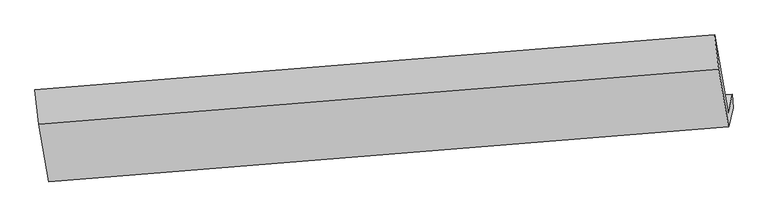
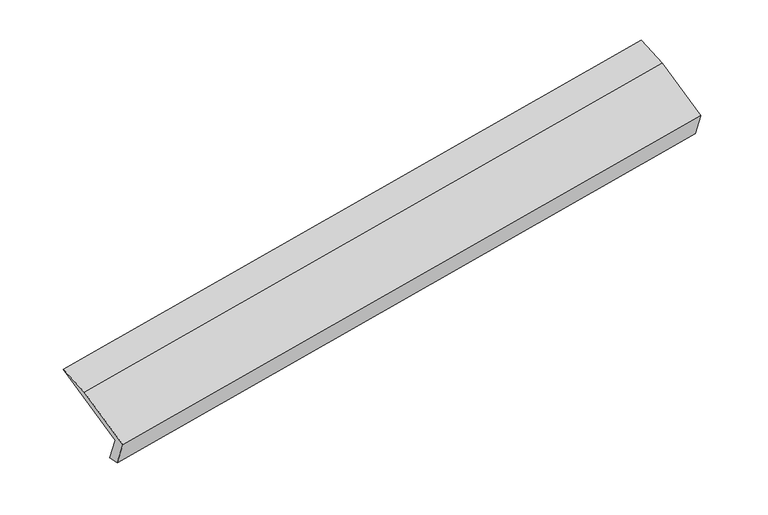
"""IFC4 building model written with IfcOpenShell, lengths in millimetres: proxy geometry."""

import ifcopenshell
import ifcopenshell.guid

model = None  # the IFC model being written
_history = None  # IfcOwnerHistory: only IFC2X3 demands one
_inside = {}  # id of a spatial element -> (the spatial element, [elements in it])
_under = {}  # id of a project, library or spatial element -> (it, [spatial elements below it])
_declared = {}  # id of a project -> (the project, [libraries it declares])
_typed = {}  # id of a type object -> (the type object, [elements of that type])
_made_of = {}  # id of a material, layer set ... -> (it, [elements and type objects made of it])


def new_model(schema):
    """Start an empty IFC model of exactly this schema.

    Asked for "IFC4X3", IfcOpenShell would pick the latest addendum, in which some entities
    have other attributes; the version numbers below select the first issue.
    IFC2X3 requires an IfcOwnerHistory on every rooted entity: one is made here for all.
    """
    global model, _history
    if schema == "IFC4X3":
        model = ifcopenshell.file(schema_version=(4, 3, 0, 0))
    else:
        model = ifcopenshell.file(schema=schema)
    _inside.clear()
    _under.clear()
    _declared.clear()
    _typed.clear()
    _made_of.clear()
    _history = None
    if model.schema == "IFC2X3":
        org = make("IfcOrganization", Name="unknown")
        user = make(
            "IfcPersonAndOrganization",
            ThePerson=make("IfcPerson", FamilyName="unknown"),
            TheOrganization=org,
        )
        app = make(
            "IfcApplication",
            ApplicationDeveloper=org,
            Version="unknown",
            ApplicationFullName="unknown",
            ApplicationIdentifier="unknown",
        )
        _history = make(
            "IfcOwnerHistory",
            OwningUser=user,
            OwningApplication=app,
            ChangeAction="ADDED",
            CreationDate=0,
        )
    return model


def make(cls, **values):
    """One entity of the class cls with the attributes given. An attribute that is None is left unset."""
    return model.create_entity(
        cls, **{name: value for name, value in values.items() if value is not None}
    )


def rooted(cls, **values):
    """An entity with a GlobalId (a new one), such as an element, a storey or a relation."""
    return make(cls, GlobalId=ifcopenshell.guid.new(), OwnerHistory=_history, **values)


def si_unit(unit_type, name, prefix=None):
    """IfcSIUnit, for example si_unit("LENGTHUNIT", "METRE", prefix="MILLI")."""
    return make("IfcSIUnit", UnitType=unit_type, Prefix=prefix, Name=name)


def assignment(units):
    """IfcUnitAssignment: the units of a project."""
    return None if units is None else make("IfcUnitAssignment", Units=units)


def point(xyz):
    """IfcCartesianPoint."""
    return None if xyz is None else make("IfcCartesianPoint", Coordinates=xyz)


def direction(xyz):
    """IfcDirection."""
    return None if xyz is None else make("IfcDirection", DirectionRatios=xyz)


def frame(location, z_axis=None, x_axis=None):
    """IfcAxis2Placement3D, a coordinate frame: its origin and axes. An axis left out is left unset."""
    return make(
        "IfcAxis2Placement3D",
        Location=point(location),
        Axis=direction(z_axis),
        RefDirection=direction(x_axis),
    )


def origin():
    """The frame at (0, 0, 0) with its axes left unset."""
    return frame((0.0, 0.0, 0.0))


def place(relative_to, where):
    """IfcLocalPlacement: puts the frame where relative to a parent placement (None: the world)."""
    return make(
        "IfcLocalPlacement", PlacementRelTo=relative_to, RelativePlacement=where
    )


def context(
    kind, dimensions, precision=None, world=None, true_north=None, identifier=None
):
    """IfcGeometricRepresentationContext, for example the 3D "Model" context."""
    return make(
        "IfcGeometricRepresentationContext",
        ContextIdentifier=identifier,
        ContextType=kind,
        CoordinateSpaceDimension=dimensions,
        Precision=precision,
        WorldCoordinateSystem=world,
        TrueNorth=true_north,
    )


def project(units=None, contexts=None):
    """IfcProject with its units and contexts."""
    return rooted(
        "IfcProject",
        Name="project",
        RepresentationContexts=contexts,
        UnitsInContext=assignment(units),
    )


def spatial(cls, under=None, at=None, **own):
    """A site, building, storey or space (cls), placed at a placement, below another one or the project."""
    s = rooted(cls, ObjectPlacement=at, **own)
    if under is not None:
        _under.setdefault(under.id(), (under, []))[1].append(s)
    return s


def faces_of(points, faces, orient=None, outer=None):
    """IfcFace entities. A face is a list of loops; a loop is a list of indices into points, from 0.

    orient and outer hold one flag for each loop. By default every Orientation is true, the
    first loop of a face is its IfcFaceOuterBound and the others are IfcFaceBound.
    """
    made = []
    for i, loops in enumerate(faces):
        bounds = []
        for j, loop in enumerate(loops):
            is_outer = j == 0 if outer is None else outer[i][j]
            bounds.append(
                make(
                    "IfcFaceOuterBound" if is_outer else "IfcFaceBound",
                    Bound=make("IfcPolyLoop", Polygon=[points[k] for k in loop]),
                    Orientation=True if orient is None else orient[i][j],
                )
            )
        made.append(make("IfcFace", Bounds=bounds))
    return made


def faceted_brep(points, faces, orient=None, outer=None, voids=None):
    """IfcFacetedBrep: a solid bounded by flat faces; with voids (closed shells), ...WithVoids."""
    shared = [point(p) for p in points]
    hull = make("IfcClosedShell", CfsFaces=faces_of(shared, faces, orient, outer))
    if voids is None:
        return make("IfcFacetedBrep", Outer=hull)
    return make(
        "IfcFacetedBrepWithVoids",
        Outer=hull,
        Voids=[
            make(cls, CfsFaces=faces_of(shared, fs, o, b)) for cls, fs, o, b in voids
        ],
    )


def shape(context_of_items, identifier, shape_type, items):
    """IfcShapeRepresentation: the items that make up one representation, for example the "Body"."""
    return make(
        "IfcShapeRepresentation",
        ContextOfItems=context_of_items,
        RepresentationIdentifier=identifier,
        RepresentationType=shape_type,
        Items=items,
    )


def source(mapping_origin, context_of_items, identifier, shape_type, items):
    """IfcRepresentationMap: a shape defined once, which mapped items show again and again."""
    return make(
        "IfcRepresentationMap",
        MappingOrigin=mapping_origin,
        MappedRepresentation=shape(context_of_items, identifier, shape_type, items),
    )


def transform(
    local_origin,
    x_axis=None,
    y_axis=None,
    z_axis=None,
    scale=None,
    scale2=None,
    scale3=None,
    uniform=True,
):
    """IfcCartesianTransformationOperator3D, or its non-uniform kind. x_axis, y_axis, z_axis: its Axis1, 2, 3."""
    if uniform:
        return make(
            "IfcCartesianTransformationOperator3D",
            Axis1=direction(x_axis),
            Axis2=direction(y_axis),
            LocalOrigin=point(local_origin),
            Scale=scale,
            Axis3=direction(z_axis),
        )
    return make(
        "IfcCartesianTransformationOperator3DnonUniform",
        Axis1=direction(x_axis),
        Axis2=direction(y_axis),
        LocalOrigin=point(local_origin),
        Scale=scale,
        Axis3=direction(z_axis),
        Scale2=scale2,
        Scale3=scale3,
    )


def mapped(mapping_source, mapping_target):
    """IfcMappedItem: shows the shape of a source again, moved by a transform."""
    return make(
        "IfcMappedItem", MappingSource=mapping_source, MappingTarget=mapping_target
    )


def made_of(thing, what):
    """Note that an element or type object is made of a material, layer set ...; save() writes the relation."""
    if what is not None:
        _made_of.setdefault(what.id(), (what, []))[1].append(thing)
    return thing


def element(
    cls,
    number,
    at=None,
    inside=None,
    cuts=None,
    type_object=None,
    material=None,
    context=None,
    identifier="Body",
    shape_type=None,
    held_by="IfcProductDefinitionShape",
    body=None,
    shapes=None,
    **own,
):
    """One element of the class cls, such as IfcWall. Its Tag is "e" and its number.

    at: its placement. inside: the storey or other place that contains it. cuts: it is an
    opening in that element (IfcRelVoidsElement). A single representation is given by context,
    identifier, shape_type and body (its items); several are given by shapes. held_by: the class
    of the entity that holds the representations. save() writes the other relations.
    """
    e = rooted(cls, Tag="e%d" % number, ObjectPlacement=at, **own)
    if body is not None:
        shapes = [shape(context, identifier, shape_type, body)]
    if shapes is not None:
        e.Representation = make(held_by, Representations=shapes)
    if inside is not None:
        _inside.setdefault(inside.id(), (inside, []))[1].append(e)
    if cuts is not None:
        rooted(
            "IfcRelVoidsElement", RelatingBuildingElement=cuts, RelatedOpeningElement=e
        )
    if type_object is not None:
        _typed.setdefault(type_object.id(), (type_object, []))[1].append(e)
    return made_of(e, material)


def aggregate(whole, parts):
    """IfcRelAggregates: a whole, such as a stair, and the parts it consists of."""
    return rooted("IfcRelAggregates", RelatingObject=whole, RelatedObjects=parts)


def save(model, path):
    """Write the relations noted so far, then the file.

    IfcRelAggregates (storeys below a building ...), IfcRelContainedInSpatialStructure (elements
    in a storey), IfcRelDefinesByType, IfcRelAssociatesMaterial and IfcRelDeclares: one each for
    every whole, place, type object, material and project.
    """
    for whole, parts in _under.values():
        aggregate(whole, parts)
    for where, things in _inside.values():
        rooted(
            "IfcRelContainedInSpatialStructure",
            RelatedElements=things,
            RelatingStructure=where,
        )
    for kind, things in _typed.values():
        rooted("IfcRelDefinesByType", RelatedObjects=things, RelatingType=kind)
    for what, things in _made_of.values():
        rooted("IfcRelAssociatesMaterial", RelatedObjects=things, RelatingMaterial=what)
    for by, libraries in _declared.values():
        rooted("IfcRelDeclares", RelatingContext=by, RelatedDefinitions=libraries)
    model.write(path)


def generic_models_4a7d4a5f(model_context):
    return source(origin(), model_context, "Body", "Brep", [
        faceted_brep([(-6282.7423245, -1821.0216729, 949.3332178), (-6327.5179335, -2011.6630372, 1292.1292541), (648.593242, -1449.1968816, 2516.1484874), (693.368851, -1258.5555174, 2173.3524511), (-6275.3837486, -1959.5349982, 969.2033063), (700.7274269, -1397.0688426, 2193.2225396), (-6321.4779369, -2155.7904851, 1322.0942085), (654.6332386, -1593.3243295, 2546.1134418), (-6422.8743916, -1562.8315749, 1638.6159767), (553.2367839, -1000.3654193, 2862.63521), (-6464.4527726, -1210.8783036, 1719.5885526), (511.658403, -648.4121481, 2943.6077859)], [[[0, 1, 2, 3]], [[4, 0, 3, 5]], [[6, 4, 5, 7]], [[8, 6, 7, 9]], [[10, 8, 9, 11]], [[1, 10, 11, 2]], [[9, 7, 5, 3, 2, 11]], [[1, 0, 4, 6, 8, 10]]]),
    ])


if __name__ == "__main__":
    model = new_model("IFC4")
    model_context = context("Model", 3, world=origin())
    ifc_project = project(units=[si_unit("LENGTHUNIT", "METRE", prefix="MILLI")], contexts=[model_context])
    site = spatial("IfcSite", under=ifc_project)
    building = spatial("IfcBuilding", under=site)
    placement = place(None, origin())
    generic_models_shape = generic_models_4a7d4a5f(model_context)
    element("IfcBuildingElementProxy", 1, Name="Generic Models", at=placement, inside=building, context=model_context, shape_type="MappedRepresentation", body=[
        mapped(generic_models_shape, transform((0.0, 0.0, 0.0), x_axis=(1.0, 0.0, 0.0), y_axis=(0.0, 1.0, 0.0), z_axis=(0.0, 0.0, 1.0))),
    ])
    save(model, "model.ifc")
